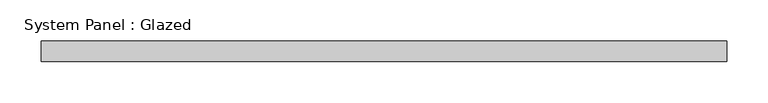
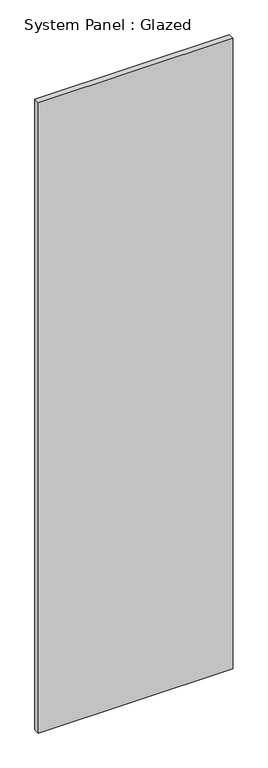
"""IFC4 building model written with IfcOpenShell, lengths in millimetres: plate geometry, System Panel : Glazed."""

from ifc_helpers import new_model, si_unit, origin, origin_with_axes, place, context, project, spatial, polyline, outline, extrude, source, transform, mapped, element, save


def system_panel_glazed_6e830202(model_context):
    return source(origin(), model_context, "Body", "SweptSolid", [
        extrude(outline(polyline([(415.8587704, 24.5), (-415.8587704, 24.5), (-415.8587704, 49.5), (415.8587704, 49.5), (415.8587704, 24.5)])), origin_with_axes(), (0.0, 0.0, 1.0), 2850.0),
    ])


if __name__ == "__main__":
    model = new_model("IFC4")
    model_context = context("Model", 3, world=origin())
    ifc_project = project(units=[si_unit("LENGTHUNIT", "METRE", prefix="MILLI")], contexts=[model_context])
    site = spatial("IfcSite", under=ifc_project)
    building = spatial("IfcBuilding", under=site)
    placement = place(None, origin())
    system_panel_glazed_shape = system_panel_glazed_6e830202(model_context)
    element("IfcPlate", 1, ObjectType="System Panel : Glazed", at=placement, inside=building, context=model_context, shape_type="MappedRepresentation", body=[
        mapped(system_panel_glazed_shape, transform((0.0, 0.0, 0.0), x_axis=(1.0, 0.0, 0.0), y_axis=(0.0, 1.0, 0.0), z_axis=(0.0, 0.0, 1.0))),
    ])
    save(model, "model.ifc")
